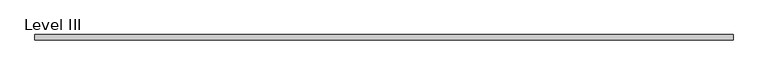
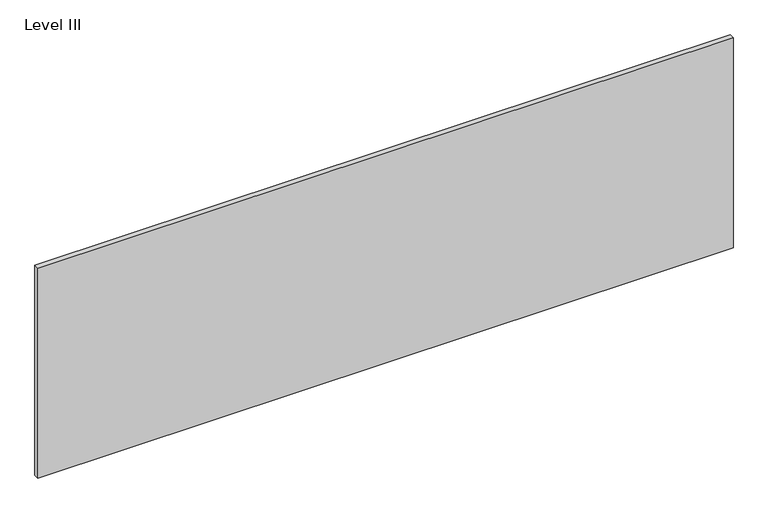
"""IFC4 building model written with IfcOpenShell, lengths in millimetres: proxy geometry, Level III."""

from ifc_helpers import new_model, si_unit, frame, origin, place, context, project, spatial, polyline, outline, extrude, source, transform, mapped, element, save


def level_iii_edf6dfbd(model_context):
    return source(origin(), model_context, "Body", "SweptSolid", [
        extrude(outline(polyline([(1259.8356344, 9.525), (1259.8356344, -9.525), (-1259.8356344, -9.525), (-1259.8356344, 9.525), (1259.8356344, 9.525)])), frame((0.0, 0.0, 3.175), z_axis=(0.0, 0.0, 1.0), x_axis=(1.0, 0.0, 0.0)), (0.0, 0.0, 1.0), 804.418),
    ])


if __name__ == "__main__":
    model = new_model("IFC4")
    model_context = context("Model", 3, world=origin())
    ifc_project = project(units=[si_unit("LENGTHUNIT", "METRE", prefix="MILLI")], contexts=[model_context])
    site = spatial("IfcSite", under=ifc_project)
    building = spatial("IfcBuilding", under=site)
    placement = place(None, origin())
    level_iii_shape = level_iii_edf6dfbd(model_context)
    element("IfcBuildingElementProxy", 1, Name="Level III", ObjectType="Level III", at=placement, inside=building, context=model_context, shape_type="MappedRepresentation", body=[
        mapped(level_iii_shape, transform((0.0, 0.0, 0.0), x_axis=(1.0, 0.0, 0.0), y_axis=(0.0, 1.0, 0.0), z_axis=(0.0, 0.0, 1.0))),
    ])
    save(model, "model.ifc")
